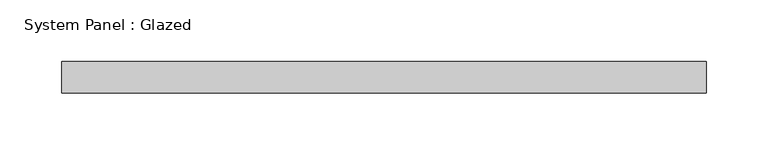
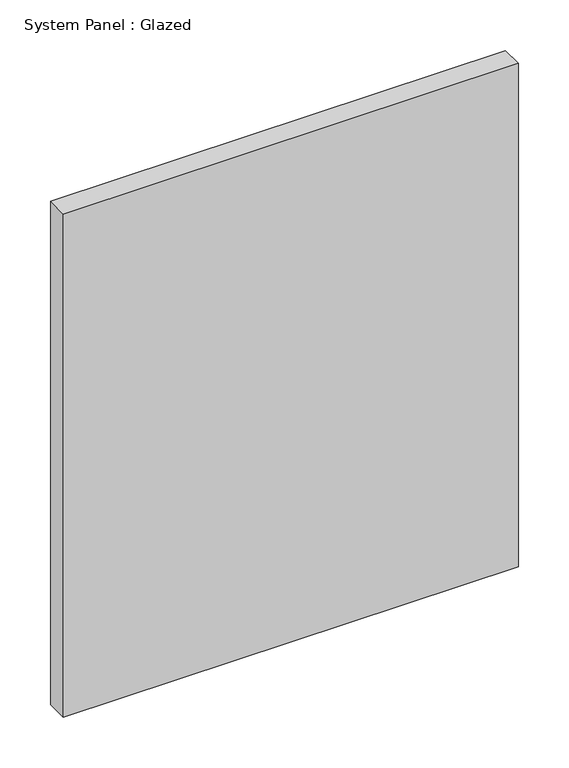
"""IFC4 building model written with IfcOpenShell, lengths in millimetres: plate geometry, System Panel : Glazed."""

from ifc_helpers import new_model, si_unit, origin, origin_with_axes, place, context, project, spatial, polyline, outline, extrude, source, transform, mapped, element, save


def system_panel_glazed_032e2e77(model_context):
    return source(origin(), model_context, "Body", "SweptSolid", [
        extrude(outline(polyline([(260.0, 19.05), (-260.0, 19.05), (-260.0, 44.45), (260.0, 44.45), (260.0, 19.05)])), origin_with_axes(), (0.0, 0.0, 1.0), 608.0),
    ])


if __name__ == "__main__":
    model = new_model("IFC4")
    model_context = context("Model", 3, world=origin())
    ifc_project = project(units=[si_unit("LENGTHUNIT", "METRE", prefix="MILLI")], contexts=[model_context])
    site = spatial("IfcSite", under=ifc_project)
    building = spatial("IfcBuilding", under=site)
    placement = place(None, origin())
    system_panel_glazed_shape = system_panel_glazed_032e2e77(model_context)
    element("IfcPlate", 1, ObjectType="System Panel : Glazed", at=placement, inside=building, context=model_context, shape_type="MappedRepresentation", body=[
        mapped(system_panel_glazed_shape, transform((0.0, 0.0, 0.0), x_axis=(1.0, 0.0, 0.0), y_axis=(0.0, 1.0, 0.0), z_axis=(0.0, 0.0, 1.0))),
    ])
    save(model, "model.ifc")
